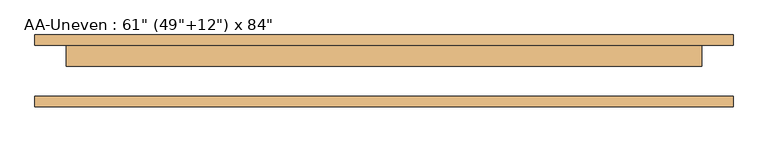
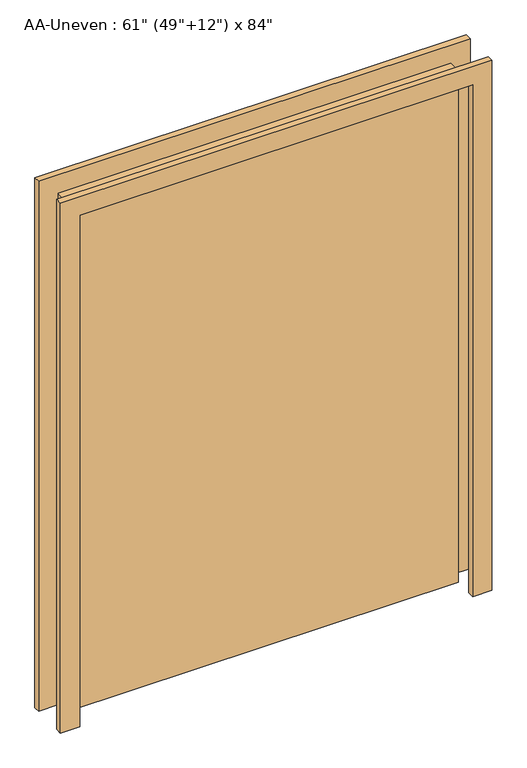
"""IFC4 building model written with IfcOpenShell, lengths in millimetres: door geometry."""

from ifc_helpers import new_model, si_unit, frame, origin, origin_with_axes, place, context, project, spatial, polyline, outline, extrude, source, transform, mapped, element, save


def door_34a5e234(model_context):
    return source(origin(), model_context, "Body", "SweptSolid", [
        extrude(outline(polyline([(101.6, 61.9125), (101.6, 11.1125), (-1447.8, 11.1125), (-1447.8, 61.9125), (101.6, 61.9125)])), origin_with_axes(), (0.0, 0.0, 1.0), 2133.6),
        extrude(outline(polyline([(2133.6, -1447.8), (2133.6, 101.6), (0.0, 101.6), (0.0, 177.8), (2209.8, 177.8), (2209.8, -1524.0), (0.0, -1524.0), (0.0, -1447.8), (2133.6, -1447.8)])), frame((0.0, -87.3125, 0.0), z_axis=(0.0, 1.0, 0.0), x_axis=(0.0, 0.0, 1.0)), (0.0, 0.0, 1.0), 25.4),
        extrude(outline(polyline([(2133.6, -1447.8), (2133.6, 101.6), (0.0, 101.6), (0.0, 177.8), (2209.8, 177.8), (2209.8, -1524.0), (0.0, -1524.0), (0.0, -1447.8), (2133.6, -1447.8)])), frame((0.0, 61.9125, 0.0), z_axis=(0.0, 1.0, 0.0), x_axis=(0.0, 0.0, 1.0)), (0.0, 0.0, 1.0), 25.4),
    ])


if __name__ == "__main__":
    model = new_model("IFC4")
    model_context = context("Model", 3, world=origin())
    ifc_project = project(units=[si_unit("LENGTHUNIT", "METRE", prefix="MILLI")], contexts=[model_context])
    site = spatial("IfcSite", under=ifc_project)
    building = spatial("IfcBuilding", under=site)
    placement = place(None, origin())
    door_shape = door_34a5e234(model_context)
    element("IfcDoor", 1, ObjectType="AA-Uneven : 61\" (49\"+12\") x 84\"", at=placement, inside=building, context=model_context, shape_type="MappedRepresentation", body=[
        mapped(door_shape, transform((0.0, 0.0, 0.0), x_axis=(1.0, 0.0, 0.0), y_axis=(0.0, 1.0, 0.0), z_axis=(0.0, 0.0, 1.0))),
    ])
    save(model, "model.ifc")
